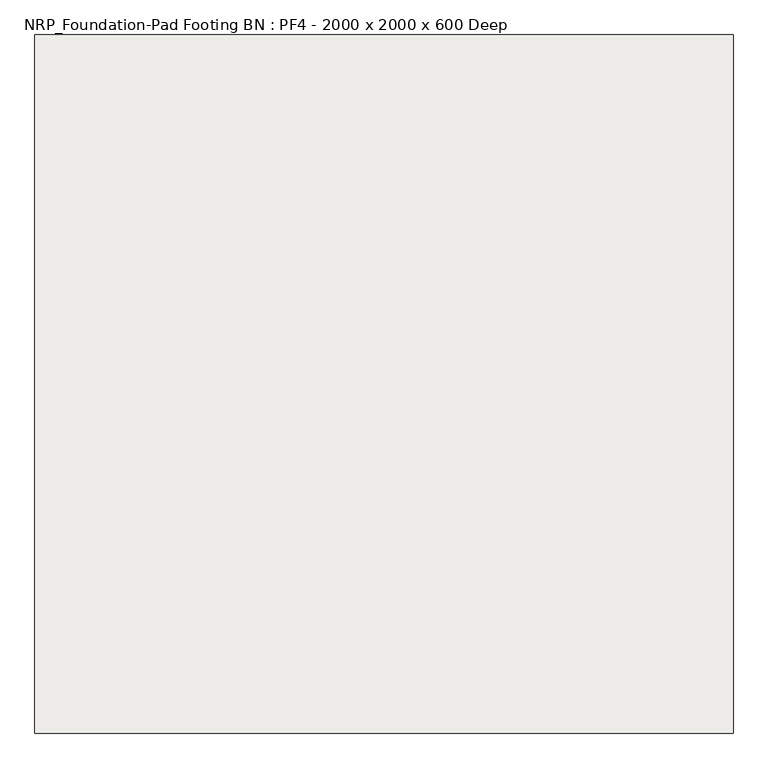
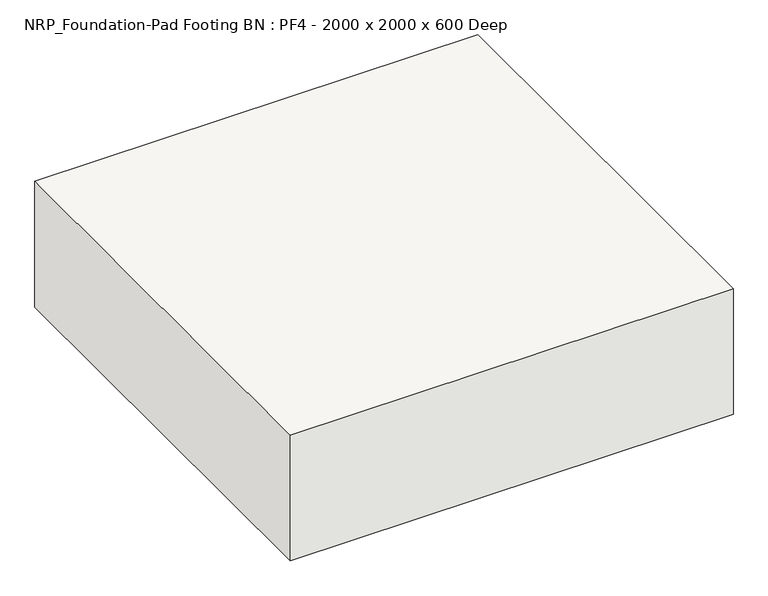
"""IFC4 building model written with IfcOpenShell, lengths in millimetres: slab geometry, NRP_Foundation-Pad Footing BN : PF4 - 2000 x 2000 x 600 Deep."""

from ifc_helpers import new_model, si_unit, frame, origin, place, context, project, spatial, polyline, outline, extrude, source, transform, mapped, element, save


def nrp_foundation_pad_footing_bn_pf4_2000_x_2000_x_600_deep_73bed4e3(model_context):
    return source(origin(), model_context, "Body", "SweptSolid", [
        extrude(outline(polyline([(1050.0, -650.0), (-950.0, -650.0), (-950.0, 1350.0), (1050.0, 1350.0), (1050.0, -650.0)])), frame((0.0, 0.0, -600.0), z_axis=(0.0, 0.0, 1.0), x_axis=(1.0, 0.0, 0.0)), (0.0, 0.0, 1.0), 600.0),
    ])


if __name__ == "__main__":
    model = new_model("IFC4")
    model_context = context("Model", 3, world=origin())
    ifc_project = project(units=[si_unit("LENGTHUNIT", "METRE", prefix="MILLI")], contexts=[model_context])
    site = spatial("IfcSite", under=ifc_project)
    building = spatial("IfcBuilding", under=site)
    placement = place(None, origin())
    nrp_foundation_pad_footing_bn_pf4_2000_x_2000_x_600_deep_shape = nrp_foundation_pad_footing_bn_pf4_2000_x_2000_x_600_deep_73bed4e3(model_context)
    element("IfcSlab", 1, ObjectType="NRP_Foundation-Pad Footing BN : PF4 - 2000 x 2000 x 600 Deep", at=placement, inside=building, context=model_context, shape_type="MappedRepresentation", body=[
        mapped(nrp_foundation_pad_footing_bn_pf4_2000_x_2000_x_600_deep_shape, transform((0.0, 0.0, 0.0), x_axis=(1.0, 0.0, 0.0), y_axis=(0.0, 1.0, 0.0), z_axis=(0.0, 0.0, 1.0))),
    ])
    save(model, "model.ifc")
